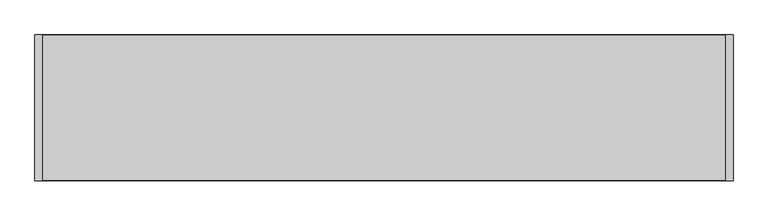
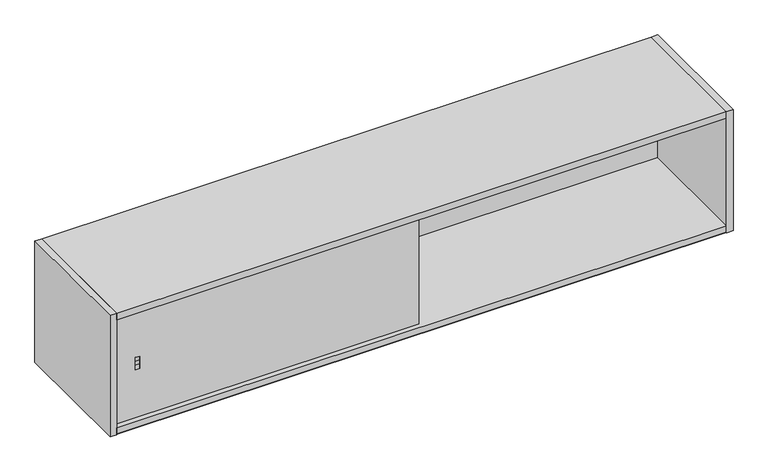
"""IFC4 building model written with IfcOpenShell, lengths in millimetres: furniture geometry."""

from ifc_helpers import new_model, si_unit, frame, origin, place, context, project, spatial, polyline, outline, extrude, faceted_brep, source, transform, mapped, element, save


def furniture_96589479(model_context):
    return source(origin(), model_context, "Body", "SolidModel", [
        faceted_brep([(914.4, -356.4889961, 1335.7098114), (914.4, -356.4889961, 1670.2278012), (914.4, -366.0139961, 1670.2278012), (914.4, -366.0139961, 1335.7098114), (21.8439996, -356.4889961, 1335.7098114), (21.8439996, -366.0139961, 1335.7098114), (21.8439996, -366.0139961, 1670.2278012), (21.8439996, -356.4889961, 1670.2278012), (98.0439973, -366.0139961, 1522.0188063), (98.0439973, -366.0139961, 1483.9188063), (85.3440004, -366.0139961, 1483.9188063), (85.3440004, -366.0139961, 1522.0188063), (98.0439973, -363.9830881, 1509.3728122), (98.0439973, -363.9830881, 1496.5647822), (85.3440004, -363.9830881, 1509.3728122), (85.3440004, -363.9830881, 1496.5647822)], [[[0, 1, 2, 3]], [[4, 5, 6, 7]], [[1, 0, 4, 7]], [[2, 1, 7, 6]], [[3, 2, 6, 5], [8, 9, 10, 11]], [[0, 3, 5, 4]], [[12, 13, 9, 8]], [[14, 11, 10, 15]], [[12, 8, 11, 14]], [[9, 13, 15, 10]], [[13, 12, 14, 15]]]),
        extrude(outline(polyline([(21.8439996, -381.0), (2.5400001, -381.0), (2.5400001, 0.0), (21.8439996, 0.0), (21.8439996, -381.0)])), frame((0.0, 0.0, 1314.8818002), z_axis=(0.0, 0.0, 1.0), x_axis=(1.0, 0.0, 0.0)), (0.0, 0.0, 1.0), 375.412),
        extrude(outline(polyline([(0.0, 1587.6777982), (-11.938, 1599.6157959), (-11.938, 1670.2278012), (0.0, 1670.2278012), (0.0, 1587.6777982)])), frame((21.8439996, 0.0, 0.0), z_axis=(1.0, 0.0, 0.0), x_axis=(0.0, 1.0, 0.0)), (0.0, 0.0, 1.0), 1785.1120008),
        extrude(outline(polyline([(924.0520271, -346.0749879), (904.7479729, -346.0749879), (904.7479729, -31.2419997), (924.0520271, -31.2419997), (924.0520271, -346.0749879)])), frame((0.0, 0.0, 1334.9478002), z_axis=(0.0, 0.0, 1.0), x_axis=(1.0, 0.0, 0.0)), (0.0, 0.0, 1.0), 335.280001),
        extrude(outline(polyline([(1806.9560004, -380.2379826), (21.8439996, -380.2379826), (21.8439996, -0.762), (1806.9560004, -0.762), (1806.9560004, -380.2379826)])), frame((0.0, 0.0, 1316.4057934), z_axis=(0.0, 0.0, 1.0), x_axis=(1.0, 0.0, 0.0)), (0.0, 0.0, 1.0), 19.3040179),
        extrude(outline(polyline([(1806.9560004, -11.938), (1806.9560004, -31.2419997), (21.8439996, -31.2419997), (21.8439996, -11.938), (1806.9560004, -11.938)])), frame((0.0, 0.0, 1334.9478002), z_axis=(0.0, 0.0, 1.0), x_axis=(1.0, 0.0, 0.0)), (0.0, 0.0, 1.0), 335.280001),
        extrude(outline(polyline([(1806.9560004, -380.2379826), (21.8439996, -380.2379826), (21.8439996, -31.2419997), (1806.9560004, -31.2419997), (1806.9560004, -380.2379826)])), frame((0.0, 0.0, 1315.6438002), z_axis=(0.0, 0.0, 1.0), x_axis=(1.0, 0.0, 0.0)), (0.0, 0.0, 1.0), 19.304),
        extrude(outline(polyline([(1826.2600024, -381.0), (1806.9560004, -381.0), (1806.9560004, 0.0), (1826.2600024, 0.0), (1826.2600024, -381.0)])), frame((0.0, 0.0, 1314.8818002), z_axis=(0.0, 0.0, 1.0), x_axis=(1.0, 0.0, 0.0)), (0.0, 0.0, 1.0), 375.412),
        extrude(outline(polyline([(1806.9560004, -380.2379826), (21.8439996, -380.2379826), (21.8439996, -0.762), (1806.9560004, -0.762), (1806.9560004, -380.2379826)])), frame((0.0, 0.0, 1670.2278012), z_axis=(0.0, 0.0, 1.0), x_axis=(1.0, 0.0, 0.0)), (0.0, 0.0, 1.0), 19.303999),
    ])


if __name__ == "__main__":
    model = new_model("IFC4")
    model_context = context("Model", 3, world=origin())
    ifc_project = project(units=[si_unit("LENGTHUNIT", "METRE", prefix="MILLI")], contexts=[model_context])
    site = spatial("IfcSite", under=ifc_project)
    building = spatial("IfcBuilding", under=site)
    placement = place(None, origin())
    furniture_shape = furniture_96589479(model_context)
    element("IfcFurniture", 1, at=placement, inside=building, context=model_context, shape_type="MappedRepresentation", body=[
        mapped(furniture_shape, transform((0.0, 0.0, 0.0), x_axis=(1.0, 0.0, 0.0), y_axis=(0.0, 1.0, 0.0), z_axis=(0.0, 0.0, 1.0))),
    ])
    save(model, "model.ifc")
